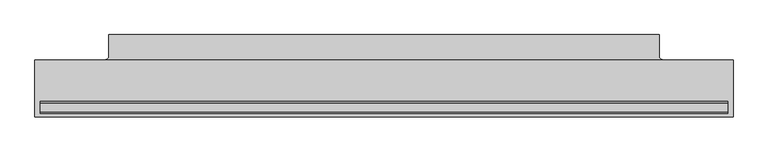
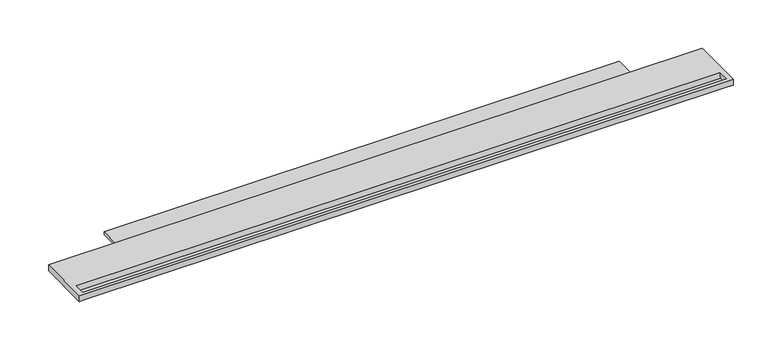
"""IFC4 building model written with IfcOpenShell, lengths in millimetres: light fixture geometry."""

from ifc_helpers import new_model, si_unit, frame, origin, place, context, project, spatial, polyline, circle_curve, source, transform, mapped, element, save
from ifc_brep_helpers import plane_surface, revolved_surface, advanced_brep


def light_fixture_f7112a97(model_context):
    return source(origin(), model_context, "Body", "AdvancedBrep", [
        advanced_brep(
        [(487.9975, 29.2199219, 2.5146), (487.9975, 29.2199219, -2.4854), (481.6475, 35.5699219, -2.4854), (481.6475, 35.5699219, 2.5146), (481.6475, 73.2394219, -2.4854), (481.6475, 73.2394219, 2.5146), (-481.6475, 35.5699219, -2.4854), (-481.6475, 35.5699219, 2.5146), (-481.6475, 73.2394219, 2.5146), (-481.6475, 73.2394219, -2.4854), (-487.9975, 29.2199219, -2.4854), (-487.9975, 29.2199219, 2.5146), (611.1875, -70.7605781, 9.5146), (611.1875, -70.7605781, -2.4854), (611.1875, 29.2199219, -2.4854), (611.1875, 29.2199219, 9.5146), (-611.1875, -70.7605781, -2.4854), (-611.1875, -70.7605781, 9.5146), (-611.1875, 29.2199219, 9.5146), (-611.1875, 29.2199219, -2.4854), (601.6625, -70.7605781, -2.4854), (-601.6625, -70.7605781, -2.4854), (-601.6625, 29.2199219, -2.4854), (601.6625, 29.2199219, -2.4854), (601.6625, -44.1493944, 9.5146), (601.6625, -64.6562804, 9.5146), (-601.6625, -64.6562804, 9.5146), (-601.6625, -44.1493944, 9.5146), (601.6625, -46.719563, -0.0773999), (-601.6625, -46.719563, -0.0773999), (-601.6625, -62.0861118, -0.0773999), (601.6625, -62.0861118, -0.0773999)],
        [
            (0, 1),
            (1, 2, circle_curve(frame((487.9975, 35.5699219, -2.4854), z_axis=(0.0, 0.0, -1.0), x_axis=(-1.0, 0.0, 0.0)), 6.35)),
            (2, 3),
            (3, 0, circle_curve(frame((487.9975, 35.5699219, 2.5146), z_axis=(0.0, 0.0, 1.0), x_axis=(-1.0, 0.0, 0.0)), 6.35)),
            (2, 4),
            (4, 5),
            (5, 3),
            (6, 7),
            (7, 8),
            (8, 9),
            (9, 6),
            (10, 11),
            (11, 7, circle_curve(frame((-487.9975, 35.5699219, 2.5146), z_axis=(0.0, 0.0, 1.0), x_axis=(-1.0, 0.0, 0.0)), 6.35)),
            (6, 10, circle_curve(frame((-487.9975, 35.5699219, -2.4854), z_axis=(0.0, 0.0, -1.0), x_axis=(-1.0, 0.0, 0.0)), 6.35)),
            (12, 13),
            (13, 14),
            (14, 15),
            (15, 12),
            (16, 17),
            (17, 18),
            (18, 19),
            (19, 16),
            (13, 20),
            (20, 21),
            (21, 16),
            (19, 22),
            (22, 10),
            (9, 4),
            (1, 23),
            (23, 14),
            (8, 5),
            (11, 0),
            (18, 15),
            (17, 12),
            (24, 25),
            (25, 26),
            (26, 27),
            (27, 24),
            (28, 29),
            (29, 30),
            (30, 31),
            (31, 28),
            (30, 26),
            (25, 31),
            (29, 27),
            (24, 28),
        ],
        [
            revolved_surface(polyline([(481.6475, 35.5699219, -2.4854000000000003), (481.6475, 35.5699219, 2.5145999999999997)]), (487.9975, 35.5699219, -8.9101779), (0.0, 0.0, -1.0)),
            plane_surface(frame((481.6475, 35.5699219, -8.9101779), z_axis=(1.0, 0.0, 0.0), x_axis=(0.0, 0.0, 1.0))),
            plane_surface(frame((-481.6475, 86.3699219, -8.9101779), z_axis=(-1.0, 0.0, 0.0), x_axis=(0.0, 0.0, 1.0))),
            revolved_surface(polyline([(-494.3475, 35.5699219, -2.4854000000000003), (-494.3475, 35.5699219, 2.5145999999999997)]), (-487.9975, 35.5699219, -8.9101779), (0.0, 0.0, -1.0)),
            plane_surface(frame((611.1875, 29.2199219, 0.0), z_axis=(1.0, 0.0, 0.0), x_axis=(0.0, 0.0, -1.0))),
            plane_surface(frame((-611.1875, 29.2199219, 0.0), z_axis=(-1.0, 0.0, 0.0), x_axis=(0.0, 0.0, -1.0))),
            plane_surface(frame((611.1875, -70.7605781, -2.4854), z_axis=(0.0, 0.0, -1.0), x_axis=(-1.0, 0.0, 0.0))),
            plane_surface(frame((611.1875, 73.2394219, -2.4854), z_axis=(0.0, 1.0, 0.0), x_axis=(-1.0, 0.0, 0.0))),
            plane_surface(frame((611.1875, 73.2394219, 2.5146), z_axis=(0.0, 0.0, 1.0), x_axis=(-1.0, 0.0, 0.0))),
            plane_surface(frame((611.1875, 29.2199219, 2.5146), z_axis=(0.0, 1.0, 0.0), x_axis=(-1.0, 0.0, 0.0))),
            plane_surface(frame((611.1875, 29.2199219, 9.5146), z_axis=(0.0, 0.0, 1.0), x_axis=(-1.0, 0.0, 0.0))),
            plane_surface(frame((611.1875, -46.719563, -0.0773999), z_axis=(0.0, 0.0, 1.0), x_axis=(-1.0, 0.0, 0.0))),
            plane_surface(frame((611.1875, -62.0861118, -0.0773999), z_axis=(0.0, 0.9659258262890653, 0.25881904510253223), x_axis=(-1.0, 0.0, 0.0))),
            plane_surface(frame((611.1875, -70.7605781, 9.5146), z_axis=(0.0, -1.0, 0.0), x_axis=(-1.0, 0.0, 0.0))),
            plane_surface(frame((-601.6625, -70.7605781, 9.5146), z_axis=(1.0, 0.0, 0.0), x_axis=(0.0, 0.0, -1.0))),
            plane_surface(frame((601.6625, 29.2199219, 9.5146), z_axis=(-1.0, 0.0, 0.0), x_axis=(0.0, 0.0, -1.0))),
            plane_surface(frame((611.1875, -44.1493944, 9.5146), z_axis=(0.0, -0.9659258262890662, 0.2588190451025288), x_axis=(-1.0, 0.0, 0.0))),
        ],
        [
            (0, [[1, 2, 3, 4]]),
            (1, [[-3, 5, 6, 7]]),
            (2, [[8, 9, 10, 11]]),
            (3, [[12, 13, -8, 14]]),
            (4, [[15, 16, 17, 18]]),
            (5, [[19, 20, 21, 22]]),
            (6, [[-16, 23, 24, 25, -22, 26, 27, -14, -11, 28, -5, -2, 29, 30]]),
            (7, [[-28, -10, 31, -6]]),
            (8, [[-31, -9, -13, 32, -4, -7]]),
            (9, [[-32, -12, -27, -26, -21, 33, -17, -30, -29, -1]]),
            (10, [[-18, -33, -20, 34], [35, 36, 37, 38]]),
            (11, [[39, 40, 41, 42]]),
            (12, [[-41, 43, -36, 44]]),
            (13, [[-15, -34, -19, -25, -24, -23]]),
            (14, [[-37, -43, -40, 45]]),
            (15, [[-35, 46, -42, -44]]),
            (16, [[-39, -46, -38, -45]]),
        ],
    ),
    ])


if __name__ == "__main__":
    model = new_model("IFC4")
    model_context = context("Model", 3, world=origin())
    ifc_project = project(units=[si_unit("LENGTHUNIT", "METRE", prefix="MILLI")], contexts=[model_context])
    site = spatial("IfcSite", under=ifc_project)
    building = spatial("IfcBuilding", under=site)
    placement = place(None, origin())
    light_fixture_shape = light_fixture_f7112a97(model_context)
    element("IfcLightFixture", 1, at=placement, inside=building, context=model_context, shape_type="MappedRepresentation", body=[
        mapped(light_fixture_shape, transform((0.0, 0.0, 0.0), x_axis=(1.0, 0.0, 0.0), y_axis=(0.0, 1.0, 0.0), z_axis=(0.0, 0.0, 1.0))),
    ])
    save(model, "model.ifc")
